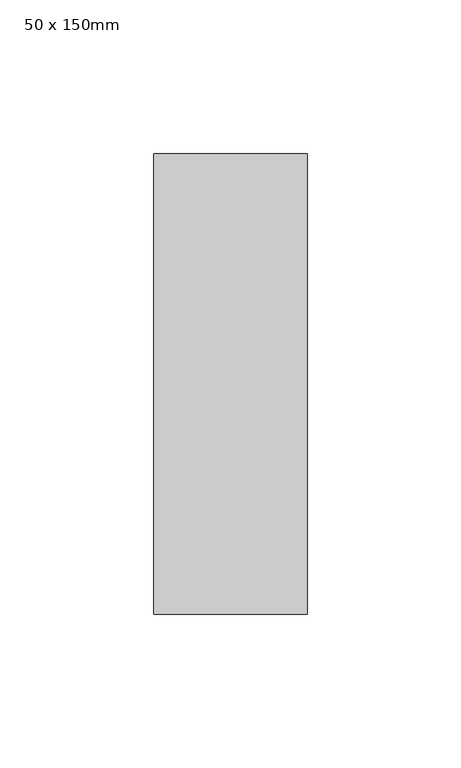
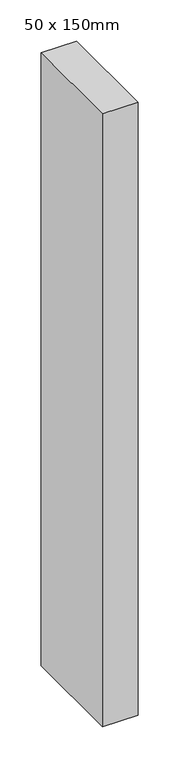
"""IFC4 building model written with IfcOpenShell, lengths in millimetres: member geometry, 50 x 150mm."""

from ifc_helpers import new_model, si_unit, frame, origin, place, context, project, spatial, polyline, outline, extrude, source, transform, mapped, element, save


def member_50_x_150mm_5dbbd51c(model_context):
    return source(origin(), model_context, "Body", "SweptSolid", [
        extrude(outline(polyline([(25.0, 75.0), (25.0, -75.0), (-25.0, -75.0), (-25.0, 75.0), (25.0, 75.0)])), frame((0.0, 0.0, -911.5669052), z_axis=(0.0, 0.0, 1.0), x_axis=(1.0, 0.0, 0.0)), (0.0, 0.0, 1.0), 911.5669052),
    ])


if __name__ == "__main__":
    model = new_model("IFC4")
    model_context = context("Model", 3, world=origin())
    ifc_project = project(units=[si_unit("LENGTHUNIT", "METRE", prefix="MILLI")], contexts=[model_context])
    site = spatial("IfcSite", under=ifc_project)
    building = spatial("IfcBuilding", under=site)
    placement = place(None, origin())
    member_50_x_150mm_shape = member_50_x_150mm_5dbbd51c(model_context)
    element("IfcMember", 1, ObjectType="50 x 150mm", at=placement, inside=building, context=model_context, shape_type="MappedRepresentation", body=[
        mapped(member_50_x_150mm_shape, transform((0.0, 0.0, 0.0), x_axis=(1.0, 0.0, 0.0), y_axis=(0.0, 1.0, 0.0), z_axis=(0.0, 0.0, 1.0))),
    ])
    save(model, "model.ifc")
